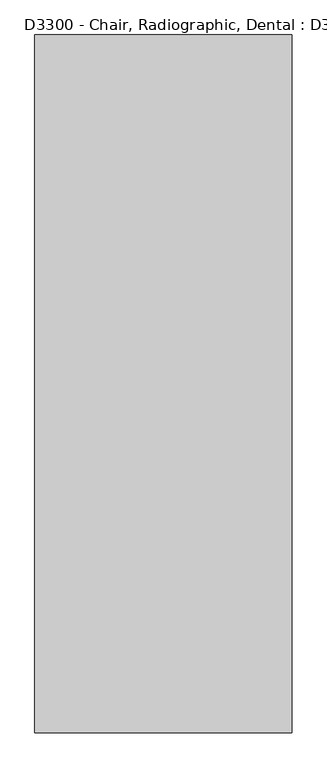
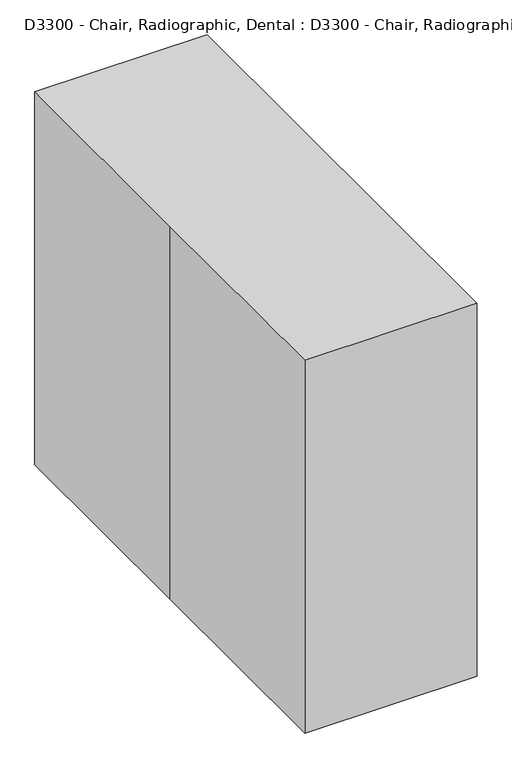
"""IFC4 building model written with IfcOpenShell, lengths in millimetres: proxy geometry, D3300 - Chair, Radiographic, Dental : D3300 - Chair, Radiographic, Dental."""

import ifcopenshell
import ifcopenshell.guid

model = None  # the IFC model being written
_history = None  # IfcOwnerHistory: only IFC2X3 demands one
_inside = {}  # id of a spatial element -> (the spatial element, [elements in it])
_under = {}  # id of a project, library or spatial element -> (it, [spatial elements below it])
_declared = {}  # id of a project -> (the project, [libraries it declares])
_typed = {}  # id of a type object -> (the type object, [elements of that type])
_made_of = {}  # id of a material, layer set ... -> (it, [elements and type objects made of it])


def new_model(schema):
    """Start an empty IFC model of exactly this schema.

    Asked for "IFC4X3", IfcOpenShell would pick the latest addendum, in which some entities
    have other attributes; the version numbers below select the first issue.
    IFC2X3 requires an IfcOwnerHistory on every rooted entity: one is made here for all.
    """
    global model, _history
    if schema == "IFC4X3":
        model = ifcopenshell.file(schema_version=(4, 3, 0, 0))
    else:
        model = ifcopenshell.file(schema=schema)
    _inside.clear()
    _under.clear()
    _declared.clear()
    _typed.clear()
    _made_of.clear()
    _history = None
    if model.schema == "IFC2X3":
        org = make("IfcOrganization", Name="unknown")
        user = make(
            "IfcPersonAndOrganization",
            ThePerson=make("IfcPerson", FamilyName="unknown"),
            TheOrganization=org,
        )
        app = make(
            "IfcApplication",
            ApplicationDeveloper=org,
            Version="unknown",
            ApplicationFullName="unknown",
            ApplicationIdentifier="unknown",
        )
        _history = make(
            "IfcOwnerHistory",
            OwningUser=user,
            OwningApplication=app,
            ChangeAction="ADDED",
            CreationDate=0,
        )
    return model


def make(cls, **values):
    """One entity of the class cls with the attributes given. An attribute that is None is left unset."""
    return model.create_entity(
        cls, **{name: value for name, value in values.items() if value is not None}
    )


def rooted(cls, **values):
    """An entity with a GlobalId (a new one), such as an element, a storey or a relation."""
    return make(cls, GlobalId=ifcopenshell.guid.new(), OwnerHistory=_history, **values)


def si_unit(unit_type, name, prefix=None):
    """IfcSIUnit, for example si_unit("LENGTHUNIT", "METRE", prefix="MILLI")."""
    return make("IfcSIUnit", UnitType=unit_type, Prefix=prefix, Name=name)


def assignment(units):
    """IfcUnitAssignment: the units of a project."""
    return None if units is None else make("IfcUnitAssignment", Units=units)


def point(xyz):
    """IfcCartesianPoint."""
    return None if xyz is None else make("IfcCartesianPoint", Coordinates=xyz)


def direction(xyz):
    """IfcDirection."""
    return None if xyz is None else make("IfcDirection", DirectionRatios=xyz)


def frame(location, z_axis=None, x_axis=None):
    """IfcAxis2Placement3D, a coordinate frame: its origin and axes. An axis left out is left unset."""
    return make(
        "IfcAxis2Placement3D",
        Location=point(location),
        Axis=direction(z_axis),
        RefDirection=direction(x_axis),
    )


def origin():
    """The frame at (0, 0, 0) with its axes left unset."""
    return frame((0.0, 0.0, 0.0))


def origin_with_axes():
    """The frame at (0, 0, 0) with the z axis (0, 0, 1) and the x axis (1, 0, 0) written out."""
    return frame((0.0, 0.0, 0.0), z_axis=(0.0, 0.0, 1.0), x_axis=(1.0, 0.0, 0.0))


def place(relative_to, where):
    """IfcLocalPlacement: puts the frame where relative to a parent placement (None: the world)."""
    return make(
        "IfcLocalPlacement", PlacementRelTo=relative_to, RelativePlacement=where
    )


def context(
    kind, dimensions, precision=None, world=None, true_north=None, identifier=None
):
    """IfcGeometricRepresentationContext, for example the 3D "Model" context."""
    return make(
        "IfcGeometricRepresentationContext",
        ContextIdentifier=identifier,
        ContextType=kind,
        CoordinateSpaceDimension=dimensions,
        Precision=precision,
        WorldCoordinateSystem=world,
        TrueNorth=true_north,
    )


def project(units=None, contexts=None):
    """IfcProject with its units and contexts."""
    return rooted(
        "IfcProject",
        Name="project",
        RepresentationContexts=contexts,
        UnitsInContext=assignment(units),
    )


def spatial(cls, under=None, at=None, **own):
    """A site, building, storey or space (cls), placed at a placement, below another one or the project."""
    s = rooted(cls, ObjectPlacement=at, **own)
    if under is not None:
        _under.setdefault(under.id(), (under, []))[1].append(s)
    return s


def polyline(points):
    """IfcPolyline through the points."""
    return make("IfcPolyline", Points=[point(p) for p in points])


def outline(outer, holes=None, kind="AREA"):
    """IfcArbitraryClosedProfileDef: a profile drawn as a closed curve; with holes, ...WithVoids."""
    if holes is None:
        return make("IfcArbitraryClosedProfileDef", ProfileType=kind, OuterCurve=outer)
    return make(
        "IfcArbitraryProfileDefWithVoids",
        ProfileType=kind,
        OuterCurve=outer,
        InnerCurves=holes,
    )


def extrude(swept, where, along, depth):
    """IfcExtrudedAreaSolid: the profile swept, set in the frame where, extruded along a direction by depth."""
    return make(
        "IfcExtrudedAreaSolid",
        SweptArea=swept,
        Position=where,
        ExtrudedDirection=direction(along),
        Depth=depth,
    )


def shape(context_of_items, identifier, shape_type, items):
    """IfcShapeRepresentation: the items that make up one representation, for example the "Body"."""
    return make(
        "IfcShapeRepresentation",
        ContextOfItems=context_of_items,
        RepresentationIdentifier=identifier,
        RepresentationType=shape_type,
        Items=items,
    )


def source(mapping_origin, context_of_items, identifier, shape_type, items):
    """IfcRepresentationMap: a shape defined once, which mapped items show again and again."""
    return make(
        "IfcRepresentationMap",
        MappingOrigin=mapping_origin,
        MappedRepresentation=shape(context_of_items, identifier, shape_type, items),
    )


def transform(
    local_origin,
    x_axis=None,
    y_axis=None,
    z_axis=None,
    scale=None,
    scale2=None,
    scale3=None,
    uniform=True,
):
    """IfcCartesianTransformationOperator3D, or its non-uniform kind. x_axis, y_axis, z_axis: its Axis1, 2, 3."""
    if uniform:
        return make(
            "IfcCartesianTransformationOperator3D",
            Axis1=direction(x_axis),
            Axis2=direction(y_axis),
            LocalOrigin=point(local_origin),
            Scale=scale,
            Axis3=direction(z_axis),
        )
    return make(
        "IfcCartesianTransformationOperator3DnonUniform",
        Axis1=direction(x_axis),
        Axis2=direction(y_axis),
        LocalOrigin=point(local_origin),
        Scale=scale,
        Axis3=direction(z_axis),
        Scale2=scale2,
        Scale3=scale3,
    )


def mapped(mapping_source, mapping_target):
    """IfcMappedItem: shows the shape of a source again, moved by a transform."""
    return make(
        "IfcMappedItem", MappingSource=mapping_source, MappingTarget=mapping_target
    )


def made_of(thing, what):
    """Note that an element or type object is made of a material, layer set ...; save() writes the relation."""
    if what is not None:
        _made_of.setdefault(what.id(), (what, []))[1].append(thing)
    return thing


def element(
    cls,
    number,
    at=None,
    inside=None,
    cuts=None,
    type_object=None,
    material=None,
    context=None,
    identifier="Body",
    shape_type=None,
    held_by="IfcProductDefinitionShape",
    body=None,
    shapes=None,
    **own,
):
    """One element of the class cls, such as IfcWall. Its Tag is "e" and its number.

    at: its placement. inside: the storey or other place that contains it. cuts: it is an
    opening in that element (IfcRelVoidsElement). A single representation is given by context,
    identifier, shape_type and body (its items); several are given by shapes. held_by: the class
    of the entity that holds the representations. save() writes the other relations.
    """
    e = rooted(cls, Tag="e%d" % number, ObjectPlacement=at, **own)
    if body is not None:
        shapes = [shape(context, identifier, shape_type, body)]
    if shapes is not None:
        e.Representation = make(held_by, Representations=shapes)
    if inside is not None:
        _inside.setdefault(inside.id(), (inside, []))[1].append(e)
    if cuts is not None:
        rooted(
            "IfcRelVoidsElement", RelatingBuildingElement=cuts, RelatedOpeningElement=e
        )
    if type_object is not None:
        _typed.setdefault(type_object.id(), (type_object, []))[1].append(e)
    return made_of(e, material)


def aggregate(whole, parts):
    """IfcRelAggregates: a whole, such as a stair, and the parts it consists of."""
    return rooted("IfcRelAggregates", RelatingObject=whole, RelatedObjects=parts)


def save(model, path):
    """Write the relations noted so far, then the file.

    IfcRelAggregates (storeys below a building ...), IfcRelContainedInSpatialStructure (elements
    in a storey), IfcRelDefinesByType, IfcRelAssociatesMaterial and IfcRelDeclares: one each for
    every whole, place, type object, material and project.
    """
    for whole, parts in _under.values():
        aggregate(whole, parts)
    for where, things in _inside.values():
        rooted(
            "IfcRelContainedInSpatialStructure",
            RelatedElements=things,
            RelatingStructure=where,
        )
    for kind, things in _typed.values():
        rooted("IfcRelDefinesByType", RelatedObjects=things, RelatingType=kind)
    for what, things in _made_of.values():
        rooted("IfcRelAssociatesMaterial", RelatedObjects=things, RelatingMaterial=what)
    for by, libraries in _declared.values():
        rooted("IfcRelDeclares", RelatingContext=by, RelatedDefinitions=libraries)
    model.write(path)


def d3300_chair_radiographic_dental_d3300_chair_radiographic_703e98a6(model_context):
    return source(origin(), model_context, "Body", "SweptSolid", [
        extrude(outline(polyline([(0.0, -31.75), (0.0, 0.0), (76.2, 0.0), (76.2, -31.75), (0.0, -31.75)])), frame((38.1, 382.0611467, 1179.3080235), z_axis=(0.0, 0.22495105434386323, 0.9743700647852357), x_axis=(-1.0, 0.0, 0.0)), (0.0, 0.0, 1.0), 82.55),
        extrude(outline(polyline([(0.0, -86.6214987), (0.0, 0.0), (304.8, 0.0), (304.8, -86.6214987), (0.0, -86.6214987)])), frame((153.6668582, 366.3045979, 1250.2004075), z_axis=(0.0, 0.22495105434386384, 0.9743700647852355), x_axis=(-1.0, 0.0, 0.0)), (0.0, 0.0, 1.0), 177.8),
        extrude(outline(polyline([(203.2, 914.4), (203.2, 609.6), (127.0, 609.6), (127.0, 838.2), (-203.2, 838.2), (-203.2, 914.4), (203.2, 914.4)])), frame((-292.7334291, 0.0, 0.0), z_axis=(1.0, 0.0, 0.0), x_axis=(0.0, 1.0, 0.0)), (0.0, 0.0, 1.0), 52.0668582),
        extrude(outline(polyline([(203.2, 914.4), (203.2, 609.6), (127.0, 609.6), (127.0, 838.2), (-203.2, 838.2), (-203.2, 914.4), (203.2, 914.4)])), frame((240.6665709, 0.0, 0.0), z_axis=(1.0, 0.0, 0.0), x_axis=(0.0, 1.0, 0.0)), (0.0, 0.0, 1.0), 55.7916128),
        extrude(outline(polyline([(-465.5789493, 83.7157526), (-664.2419881, 144.4531389), (-649.3895055, 193.0334205), (-532.0831721, 157.1692752), (-365.1888293, 703.0560737), (238.3220406, 703.0560737), (349.9832239, 1186.7137955), (445.0753191, 1164.7600555), (316.9065213, 609.6), (-304.8, 609.6), (-465.5789493, 83.7157526)])), frame((-240.6665709, 0.0, 0.0), z_axis=(1.0, 0.0, 0.0), x_axis=(0.0, 1.0, 0.0)), (0.0, 0.0, 1.0), 481.3331418),
        extrude(outline(polyline([(296.4581837, 304.8), (296.4581837, -304.8), (-292.7334291, -304.8), (-292.7334291, 304.8), (296.4581837, 304.8)])), origin_with_axes(), (0.0, 0.0, 1.0), 609.6),
        extrude(outline(polyline([(-355.6, 965.2), (355.6, 965.2), (355.6, -965.2), (-355.6, -965.2), (-355.6, 0.0), (-355.6, 965.2)])), origin_with_axes(), (0.0, 0.0, 1.0), 1625.6),
    ])


if __name__ == "__main__":
    model = new_model("IFC4")
    model_context = context("Model", 3, world=origin())
    ifc_project = project(units=[si_unit("LENGTHUNIT", "METRE", prefix="MILLI")], contexts=[model_context])
    site = spatial("IfcSite", under=ifc_project)
    building = spatial("IfcBuilding", under=site)
    placement = place(None, origin())
    d3300_chair_radiographic_dental_d3300_chair_radiographic_shape = d3300_chair_radiographic_dental_d3300_chair_radiographic_703e98a6(model_context)
    element("IfcBuildingElementProxy", 1, Name="D3300 - Chair, Radiographic, Dental : D3300 - Chair, Radiographic, Dental", ObjectType="D3300 - Chair, Radiographic, Dental : D3300 - Chair, Radiographic, Dental", at=placement, inside=building, context=model_context, shape_type="MappedRepresentation", body=[
        mapped(d3300_chair_radiographic_dental_d3300_chair_radiographic_shape, transform((0.0, 0.0, 0.0), x_axis=(1.0, 0.0, 0.0), y_axis=(0.0, 1.0, 0.0), z_axis=(0.0, 0.0, 1.0))),
    ])
    save(model, "model.ifc")
